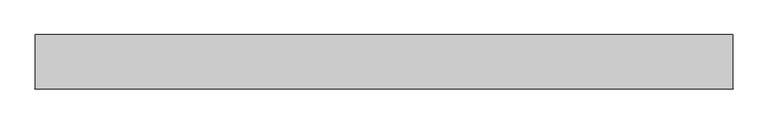
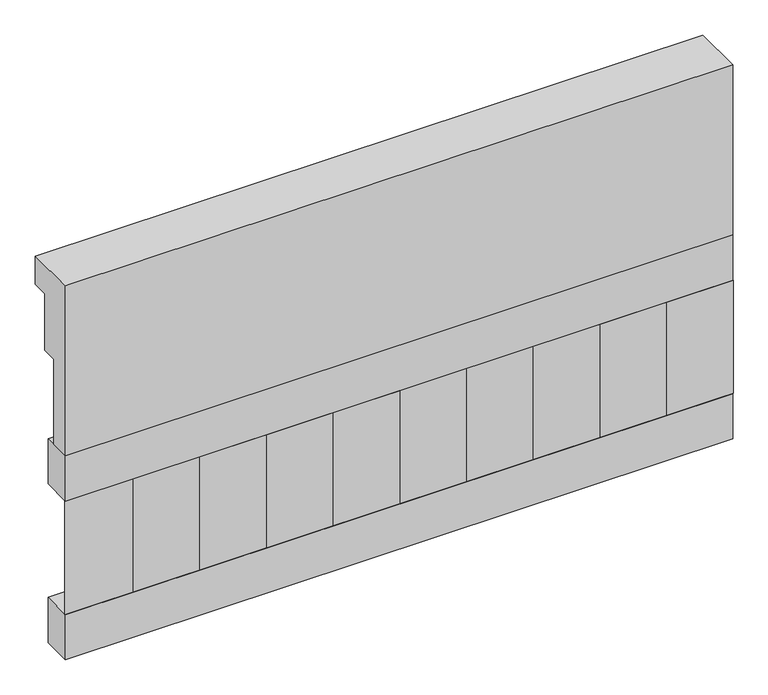
"""IFC4 building model written with IfcOpenShell, lengths in millimetres: railing geometry."""

from ifc_helpers import new_model, si_unit, frame, origin, place, context, project, spatial, polyline, outline, extrude, source, transform, mapped, element, save


def railing_4df5df45(model_context):
    return source(origin(), model_context, "Body", "SweptSolid", [
        extrude(outline(polyline([(903.1079487, 21800.0), (1033.1079487, 21800.0), (1033.1079487, 21725.0), (993.1079487, 21725.0), (993.1079487, 21575.0), (953.1079487, 21575.0), (953.1079487, 21350.0), (903.1079487, 21350.0), (903.1079487, 21800.0)])), frame((26190.0112841, 0.0, 0.0), z_axis=(1.0, 0.0, 0.0), x_axis=(0.0, 1.0, 0.0)), (0.0, 0.0, 1.0), 1670.0),
        extrude(outline(polyline([(27860.0112841, 978.1079487), (27860.0112841, 903.1079487), (26190.0112841, 903.1079487), (26190.0112841, 978.1079487), (27860.0112841, 978.1079487)])), frame((0.0, 0.0, 21230.0), z_axis=(0.0, 0.0, 1.0), x_axis=(1.0, 0.0, 0.0)), (0.0, 0.0, 1.0), 120.0),
        extrude(outline(polyline([(27860.0112841, 978.1079487), (27860.0112841, 903.1079487), (26190.0112841, 903.1079487), (26190.0112841, 978.1079487), (27860.0112841, 978.1079487)])), frame((0.0, 0.0, 20810.0), z_axis=(0.0, 0.0, 1.0), x_axis=(1.0, 0.0, 0.0)), (0.0, 0.0, 1.0), 120.0),
        extrude(outline(polyline([(26273.5112841, 987.9607624), (26358.3640978, 903.1079487), (26188.6584704, 903.1079487), (26273.5112841, 987.9607624)])), frame((0.0, 0.0, 20930.0), z_axis=(0.0, 0.0, 1.0), x_axis=(1.0, 0.0, 0.0)), (0.0, 0.0, 1.0), 300.0),
        extrude(outline(polyline([(26440.5112841, 987.9607624), (26525.3640978, 903.1079487), (26355.6584704, 903.1079487), (26440.5112841, 987.9607624)])), frame((0.0, 0.0, 20930.0), z_axis=(0.0, 0.0, 1.0), x_axis=(1.0, 0.0, 0.0)), (0.0, 0.0, 1.0), 300.0),
        extrude(outline(polyline([(26607.5112841, 987.9607624), (26692.3640978, 903.1079487), (26522.6584704, 903.1079487), (26607.5112841, 987.9607624)])), frame((0.0, 0.0, 20930.0), z_axis=(0.0, 0.0, 1.0), x_axis=(1.0, 0.0, 0.0)), (0.0, 0.0, 1.0), 300.0),
        extrude(outline(polyline([(26774.5112841, 987.9607624), (26859.3640978, 903.1079487), (26689.6584704, 903.1079487), (26774.5112841, 987.9607624)])), frame((0.0, 0.0, 20930.0), z_axis=(0.0, 0.0, 1.0), x_axis=(1.0, 0.0, 0.0)), (0.0, 0.0, 1.0), 300.0),
        extrude(outline(polyline([(26941.5112841, 987.9607624), (27026.3640978, 903.1079487), (26856.6584704, 903.1079487), (26941.5112841, 987.9607624)])), frame((0.0, 0.0, 20930.0), z_axis=(0.0, 0.0, 1.0), x_axis=(1.0, 0.0, 0.0)), (0.0, 0.0, 1.0), 300.0),
        extrude(outline(polyline([(27108.5112841, 987.9607624), (27193.3640978, 903.1079487), (27023.6584704, 903.1079487), (27108.5112841, 987.9607624)])), frame((0.0, 0.0, 20930.0), z_axis=(0.0, 0.0, 1.0), x_axis=(1.0, 0.0, 0.0)), (0.0, 0.0, 1.0), 300.0),
        extrude(outline(polyline([(27275.5112841, 987.9607624), (27360.3640978, 903.1079487), (27190.6584704, 903.1079487), (27275.5112841, 987.9607624)])), frame((0.0, 0.0, 20930.0), z_axis=(0.0, 0.0, 1.0), x_axis=(1.0, 0.0, 0.0)), (0.0, 0.0, 1.0), 300.0),
        extrude(outline(polyline([(27442.5112841, 987.9607624), (27527.3640978, 903.1079487), (27357.6584704, 903.1079487), (27442.5112841, 987.9607624)])), frame((0.0, 0.0, 20930.0), z_axis=(0.0, 0.0, 1.0), x_axis=(1.0, 0.0, 0.0)), (0.0, 0.0, 1.0), 300.0),
        extrude(outline(polyline([(27609.5112841, 987.9607624), (27694.3640978, 903.1079487), (27524.6584704, 903.1079487), (27609.5112841, 987.9607624)])), frame((0.0, 0.0, 20930.0), z_axis=(0.0, 0.0, 1.0), x_axis=(1.0, 0.0, 0.0)), (0.0, 0.0, 1.0), 300.0),
        extrude(outline(polyline([(27776.5112841, 987.9607624), (27861.3640978, 903.1079487), (27691.6584704, 903.1079487), (27776.5112841, 987.9607624)])), frame((0.0, 0.0, 20930.0), z_axis=(0.0, 0.0, 1.0), x_axis=(1.0, 0.0, 0.0)), (0.0, 0.0, 1.0), 300.0),
    ])


if __name__ == "__main__":
    model = new_model("IFC4")
    model_context = context("Model", 3, world=origin())
    ifc_project = project(units=[si_unit("LENGTHUNIT", "METRE", prefix="MILLI")], contexts=[model_context])
    site = spatial("IfcSite", under=ifc_project)
    building = spatial("IfcBuilding", under=site)
    placement = place(None, origin())
    railing_shape = railing_4df5df45(model_context)
    element("IfcRailing", 1, at=placement, inside=building, context=model_context, shape_type="MappedRepresentation", body=[
        mapped(railing_shape, transform((0.0, 0.0, 0.0), x_axis=(1.0, 0.0, 0.0), y_axis=(0.0, 1.0, 0.0), z_axis=(0.0, 0.0, 1.0))),
    ])
    save(model, "model.ifc")
